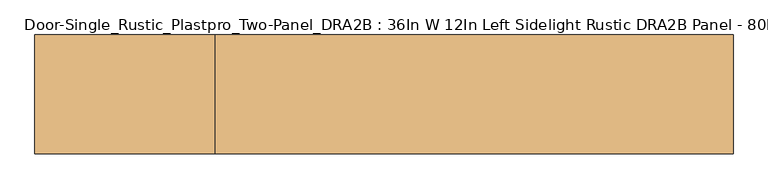
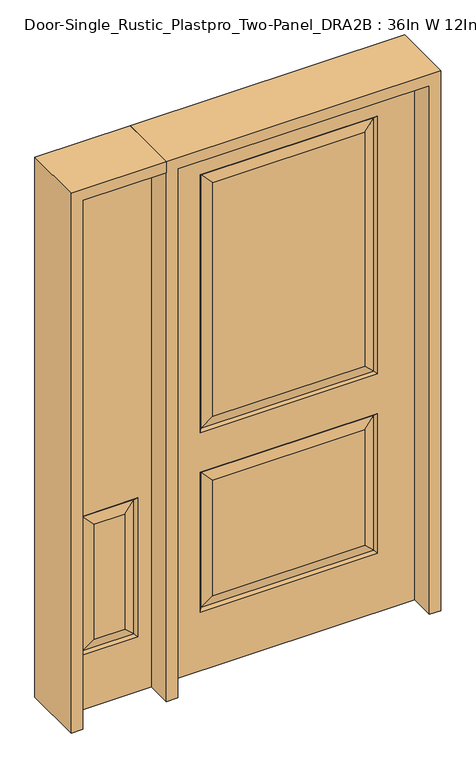
"""IFC4 building model written with IfcOpenShell, lengths in millimetres: door geometry, Door-Single_Rustic_Plastpro_Two-Panel_DRA2B : 36In W 12In Left Sidelight Rustic DRA2B Panel - 80In."""

from ifc_helpers import new_model, si_unit, frame, origin, place, context, project, spatial, polyline, outline, extrude, faceted_brep, source, transform, mapped, element, save


def door_single_rustic_plastpro_two_panel_dra2b_36in_w_12in_left_e4cdcb00(model_context):
    return source(origin(), model_context, "Body", "SolidModel", [
        faceted_brep([(-803.275, -20.6375, 0.0), (-498.475, -20.6375, 0.0), (-498.475, -20.6375, 2032.0), (-803.275, -20.6375, 2032.0), (-549.275, -20.6375, 209.55), (-752.475, -20.6375, 209.55), (-752.475, -20.6375, 742.95), (-549.275, -20.6375, 742.95), (-706.4375, -20.6375, 255.5875), (-595.3125, -20.6375, 255.5875), (-595.3125, -20.6375, 696.9125), (-706.4375, -20.6375, 696.9125), (-803.275, 20.6375, 0.0), (-498.475, 20.6375, 0.0), (-498.475, 20.6375, 2032.0), (-803.275, 20.6375, 2032.0), (-558.2552561, -11.6572439, 218.5302561), (-743.4947439, -11.6572439, 218.5302561), (-743.4947439, -11.6572439, 733.9697439), (-558.2552561, -11.6572439, 733.9697439), (-752.475, 20.6375, 209.55), (-549.275, 20.6375, 209.55), (-549.275, 20.6375, 742.95), (-752.475, 20.6375, 742.95), (-595.3125, 20.6375, 255.5875), (-706.4375, 20.6375, 255.5875), (-706.4375, 20.6375, 696.9125), (-595.3125, 20.6375, 696.9125), (-743.4947439, 11.6572439, 218.5302561), (-558.2552561, 11.6572439, 218.5302561), (-558.2552561, 11.6572439, 733.9697439), (-743.4947439, 11.6572439, 733.9697439)], [[[0, 1, 2, 3], [4, 5, 6, 7]], [[8, 9, 10, 11]], [[1, 0, 12, 13]], [[2, 1, 13, 14]], [[0, 3, 15, 12]], [[16, 17, 5, 4]], [[5, 17, 18, 6]], [[6, 18, 19, 7]], [[16, 4, 7, 19]], [[17, 16, 9, 8]], [[9, 16, 19, 10]], [[18, 11, 10, 19]], [[17, 8, 11, 18]], [[12, 15, 14, 13], [20, 21, 22, 23]], [[24, 25, 26, 27]], [[20, 28, 29, 21]], [[21, 29, 30, 22]], [[31, 23, 22, 30]], [[28, 20, 23, 31]], [[29, 28, 25, 24]], [[25, 28, 31, 26]], [[26, 31, 30, 27]], [[29, 24, 27, 30]], [[3, 2, 14, 15]]]),
        faceted_brep([(457.2, 20.6375, 0.0), (457.2, -20.6375, 0.0), (-457.2, -20.6375, 0.0), (-457.2, 20.6375, 0.0), (457.2, 20.6375, 2032.0), (457.2, -20.6375, 2032.0), (-276.225, -20.6375, 960.4375), (276.225, -20.6375, 960.4375), (276.225, -20.6375, 1858.9625), (-276.225, -20.6375, 1858.9625), (-276.225, -20.6375, 271.4625), (276.225, -20.6375, 271.4625), (276.225, -20.6375, 715.9625), (-276.225, -20.6375, 715.9625), (-457.2, -20.6375, 2032.0), (322.2625, -20.6375, 914.4), (-322.2625, -20.6375, 914.4), (-322.2625, -20.6375, 1905.0), (322.2625, -20.6375, 1905.0), (322.2625, -20.6375, 225.425), (-322.2625, -20.6375, 225.425), (-322.2625, -20.6375, 762.0), (322.2625, -20.6375, 762.0), (-457.2, 20.6375, 2032.0), (-276.225, 20.6375, 715.9625), (276.225, 20.6375, 715.9625), (276.225, 20.6375, 271.4625), (-276.225, 20.6375, 271.4625), (-276.225, 20.6375, 1858.9625), (276.225, 20.6375, 1858.9625), (276.225, 20.6375, 960.4375), (-276.225, 20.6375, 960.4375), (322.2625, 20.6375, 762.0), (-322.2625, 20.6375, 762.0), (-322.2625, 20.6375, 225.425), (322.2625, 20.6375, 225.425), (322.2625, 20.6375, 1905.0), (-322.2625, 20.6375, 1905.0), (-322.2625, 20.6375, 914.4), (322.2625, 20.6375, 914.4), (-313.2822439, 11.6572439, 1896.0197439), (-313.2822439, 11.6572439, 923.3802561), (313.2822439, 11.6572439, 923.3802561), (313.2822439, 11.6572439, 1896.0197439), (313.2822439, 11.6572439, 753.0197439), (-313.2822439, 11.6572439, 753.0197439), (-313.2822439, 11.6572439, 234.4052561), (313.2822439, 11.6572439, 234.4052561), (313.2822439, -11.6572439, 923.3802561), (-313.2822439, -11.6572439, 923.3802561), (-313.2822439, -11.6572439, 1896.0197439), (313.2822439, -11.6572439, 1896.0197439), (313.2822439, -11.6572439, 234.4052561), (-313.2822439, -11.6572439, 234.4052561), (-313.2822439, -11.6572439, 753.0197439), (313.2822439, -11.6572439, 753.0197439)], [[[0, 1, 2, 3]], [[4, 5, 1, 0]], [[6, 7, 8, 9]], [[10, 11, 12, 13]], [[5, 14, 2, 1], [15, 16, 17, 18], [19, 20, 21, 22]], [[14, 23, 3, 2]], [[24, 25, 26, 27]], [[28, 29, 30, 31]], [[23, 4, 0, 3], [32, 33, 34, 35], [36, 37, 38, 39]], [[37, 40, 41, 38]], [[38, 41, 42, 39]], [[43, 36, 39, 42]], [[29, 43, 42, 30]], [[41, 31, 30, 42]], [[40, 28, 31, 41]], [[44, 45, 33, 32]], [[33, 45, 46, 34]], [[34, 46, 47, 35]], [[44, 32, 35, 47]], [[45, 44, 25, 24]], [[25, 44, 47, 26]], [[46, 27, 26, 47]], [[45, 24, 27, 46]], [[48, 49, 16, 15]], [[16, 49, 50, 17]], [[48, 15, 18, 51]], [[49, 48, 7, 6]], [[7, 48, 51, 8]], [[49, 6, 9, 50]], [[52, 53, 20, 19]], [[20, 53, 54, 21]], [[21, 54, 55, 22]], [[52, 19, 22, 55]], [[53, 52, 11, 10]], [[11, 52, 55, 12]], [[54, 13, 12, 55]], [[53, 10, 13, 54]], [[4, 23, 14, 5]], [[17, 50, 51, 18]], [[50, 9, 8, 51]], [[43, 40, 37, 36]], [[40, 43, 29, 28]]]),
        extrude(outline(polyline([(2032.0, -498.475), (2073.275, -498.475), (2073.275, -844.55), (0.0, -844.55), (0.0, -803.275), (2032.0, -803.275), (2032.0, -498.475)])), frame((0.0, -114.3, 0.0), z_axis=(0.0, 1.0, 0.0), x_axis=(0.0, 0.0, 1.0)), (0.0, 0.0, 1.0), 228.6),
        extrude(outline(polyline([(2073.275, -498.475), (0.0, -498.475), (0.0, -457.2), (2032.0, -457.2), (2032.0, 457.2), (0.0, 457.2), (0.0, 498.475), (2073.275, 498.475), (2073.275, -498.475)])), frame((0.0, -114.3, 0.0), z_axis=(0.0, 1.0, 0.0), x_axis=(0.0, 0.0, 1.0)), (0.0, 0.0, 1.0), 228.6),
    ])


if __name__ == "__main__":
    model = new_model("IFC4")
    model_context = context("Model", 3, world=origin())
    ifc_project = project(units=[si_unit("LENGTHUNIT", "METRE", prefix="MILLI")], contexts=[model_context])
    site = spatial("IfcSite", under=ifc_project)
    building = spatial("IfcBuilding", under=site)
    placement = place(None, origin())
    door_single_rustic_plastpro_two_panel_dra2b_36in_w_12in_left_shape = door_single_rustic_plastpro_two_panel_dra2b_36in_w_12in_left_e4cdcb00(model_context)
    element("IfcDoor", 1, ObjectType="Door-Single_Rustic_Plastpro_Two-Panel_DRA2B : 36In W 12In Left Sidelight Rustic DRA2B Panel - 80In", at=placement, inside=building, context=model_context, shape_type="MappedRepresentation", body=[
        mapped(door_single_rustic_plastpro_two_panel_dra2b_36in_w_12in_left_shape, transform((0.0, 0.0, 0.0), x_axis=(1.0, 0.0, 0.0), y_axis=(0.0, 1.0, 0.0), z_axis=(0.0, 0.0, 1.0))),
    ])
    save(model, "model.ifc")
